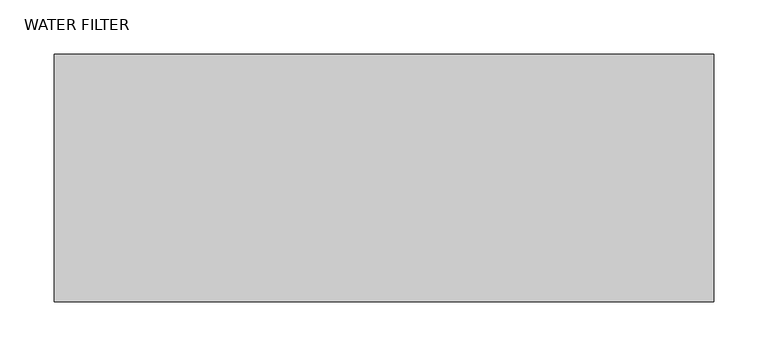
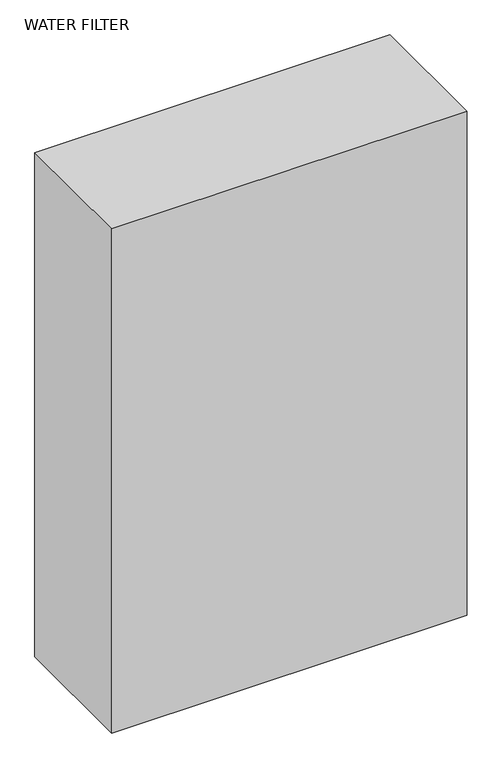
"""IFC4 building model written with IfcOpenShell, lengths in millimetres: proxy geometry, WATER FILTER."""

from ifc_helpers import new_model, si_unit, frame, origin, place, context, project, spatial, polyline, outline, extrude, source, transform, mapped, element, save


def water_filter_a35bc6dd(model_context):
    return source(origin(), model_context, "Body", "SweptSolid", [
        extrude(outline(polyline([(609.6, 0.0), (0.0, 0.0), (0.0, 228.6), (609.6, 228.6), (609.6, 0.0)])), frame((0.0, 0.0, 1066.8), z_axis=(0.0, 0.0, 1.0), x_axis=(1.0, 0.0, 0.0)), (0.0, 0.0, 1.0), 914.4),
    ])


if __name__ == "__main__":
    model = new_model("IFC4")
    model_context = context("Model", 3, world=origin())
    ifc_project = project(units=[si_unit("LENGTHUNIT", "METRE", prefix="MILLI")], contexts=[model_context])
    site = spatial("IfcSite", under=ifc_project)
    building = spatial("IfcBuilding", under=site)
    placement = place(None, origin())
    water_filter_shape = water_filter_a35bc6dd(model_context)
    element("IfcBuildingElementProxy", 1, Name="WATER FILTER", ObjectType="WATER FILTER", at=placement, inside=building, context=model_context, shape_type="MappedRepresentation", body=[
        mapped(water_filter_shape, transform((0.0, 0.0, 0.0), x_axis=(1.0, 0.0, 0.0), y_axis=(0.0, 1.0, 0.0), z_axis=(0.0, 0.0, 1.0))),
    ])
    save(model, "model.ifc")
